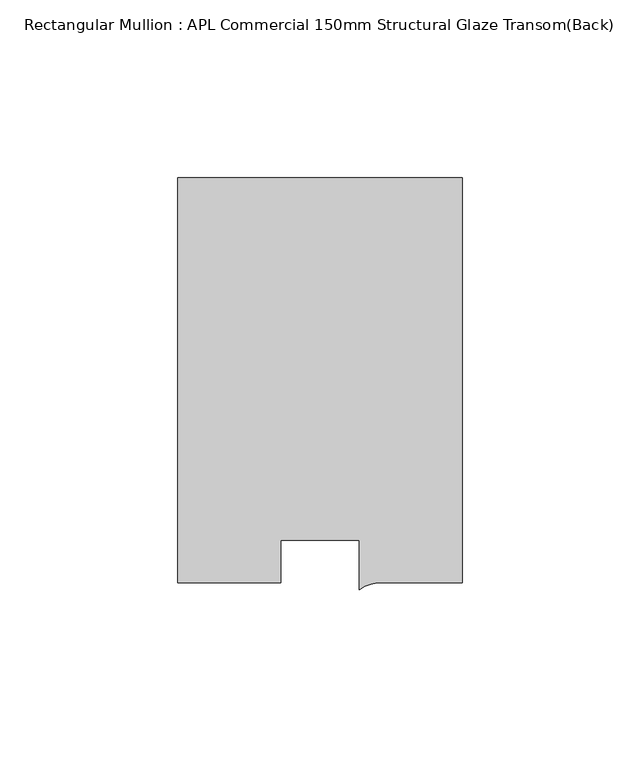
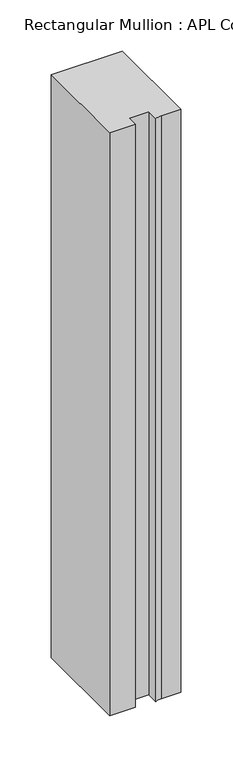
"""IFC4 building model written with IfcOpenShell, lengths in millimetres: member geometry, Rectangular Mullion : APL Commercial 150mm Structural Glaze Transom(Back)."""

from ifc_helpers import new_model, si_unit, point, frame, frame_2d, origin, place, context, project, spatial, polyline, circle_curve, trimmed, segment, composite_curve, outline, extrude, source, transform, mapped, element, save


def rectangular_mullion_apl_commercial_150mm_structural_glaze_b1c07287(model_context):
    return source(origin(), model_context, "Body", "SweptSolid", [
        extrude(outline(composite_curve([segment(polyline([(40.0, 128.9999975), (40.0, 15.0000829), (17.9999542, 15.0000829)]), True, "CONTINUOUS"), segment(trimmed(circle_curve(frame_2d((17.1097719, 4.581653)), 10.4563907), [point((17.9999542, 15.0000829))], [point((11.0000151, 13.0673455))], True, "CARTESIAN"), True, "CONTINUOUS"), segment(polyline([(11.0000151, 13.0673455), (11.0000151, 27.0), (-11.0000151, 27.0), (-11.0000151, 15.0000829), (-40.0, 15.0000829), (-40.0, 128.9999975), (40.0, 128.9999975)]), True, "CONTINUOUS")], self_intersect=False)), frame((0.0, 0.0, -694.0467497), z_axis=(0.0, 0.0, 1.0), x_axis=(1.0, 0.0, 0.0)), (0.0, 0.0, 1.0), 694.0467497),
    ])


if __name__ == "__main__":
    model = new_model("IFC4")
    model_context = context("Model", 3, world=origin())
    ifc_project = project(units=[si_unit("LENGTHUNIT", "METRE", prefix="MILLI")], contexts=[model_context])
    site = spatial("IfcSite", under=ifc_project)
    building = spatial("IfcBuilding", under=site)
    placement = place(None, origin())
    rectangular_mullion_apl_commercial_150mm_structural_glaze_shape = rectangular_mullion_apl_commercial_150mm_structural_glaze_b1c07287(model_context)
    element("IfcMember", 1, ObjectType="Rectangular Mullion : APL Commercial 150mm Structural Glaze Transom(Back)", at=placement, inside=building, context=model_context, shape_type="MappedRepresentation", body=[
        mapped(rectangular_mullion_apl_commercial_150mm_structural_glaze_shape, transform((0.0, 0.0, 0.0), x_axis=(1.0, 0.0, 0.0), y_axis=(0.0, 1.0, 0.0), z_axis=(0.0, 0.0, 1.0))),
    ])
    save(model, "model.ifc")
